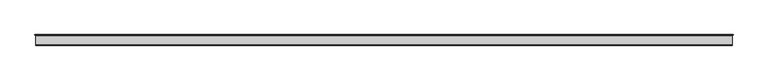
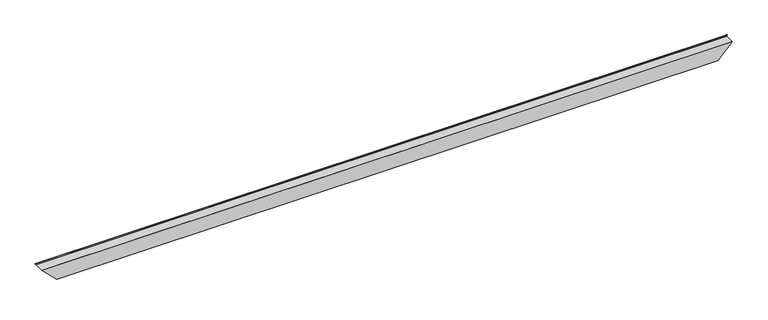
"""IFC4 building model written with IfcOpenShell, lengths in millimetres: proxy geometry."""

from ifc_helpers import new_model, si_unit, frame, origin, place, context, project, spatial, polyline, ellipse_curve, faceted_brep, source, transform, mapped, element, save
from ifc_brep_helpers import plane_surface, cylinder_surface, revolved_surface, advanced_brep


def specialty_equipment_6fd3f34a(model_context):
    return source(origin(), model_context, "Body", "SolidModel", [
        advanced_brep(
        [(7404.6991105, 84.2845729, 38.6991105), (7405.1343073, 83.3664989, 39.1343073), (-39.1343073, 83.3664989, 39.1343073), (-38.6991105, 84.2845729, 38.6991105), (7412.1314568, 86.6833746, 46.1314568), (-46.1314568, 86.6833746, 46.1314568), (7413.1962023, 84.8585816, 47.1962023), (-47.1962023, 84.8585816, 47.1962023), (7405.6706822, 77.3330614, 39.6706822), (-39.6706822, 77.3330614, 39.6706822), (7405.6706822, 0.508, 39.6706822), (-39.6706822, 0.508, 39.6706822), (7405.1626822, 0.0, 39.1626822), (-39.1626822, 0.0, 39.1626822), (7248.0062858, 0.0, -117.9937142), (117.9937142, 0.0, -117.9937142), (7248.0062858, 77.6452525, -117.9937142), (117.9937142, 77.6452525, -117.9937142), (7240.702363, 84.9491753, -125.297637), (125.297637, 84.9491753, -125.297637), (7242.4980144, 86.4483719, -123.5019856), (123.5019856, 86.4483719, -123.5019856), (7247.2287, 84.7304835, -118.7713), (118.7713, 84.7304835, -118.7713), (7247.57549, 85.6854666, -118.42451), (118.42451, 85.6854666, -118.42451), (7242.8674586, 87.3951284, -123.1325414), (123.1325414, 87.3951284, -123.1325414), (7239.8081526, 84.4065446, -126.1918474), (126.1918474, 84.4065446, -126.1918474), (7246.9902858, 77.2244115, -119.0097142), (119.0097142, 77.2244115, -119.0097142), (7246.9902858, -25.5276818, -119.0097142), (119.0097142, -25.5276818, -119.0097142), (7405.6706822, -25.5276818, 39.6706822), (-39.6706822, -25.5276818, 39.6706822), (7406.6866822, -24.5116818, 40.6866822), (-40.6866822, -24.5116818, 40.6866822), (7406.6866822, 76.9122205, 40.6866822), (-40.6866822, 76.9122205, 40.6866822), (7413.9893811, 84.2236616, 47.9893811), (-47.9893811, 84.2236616, 47.9893811), (7411.9689732, 87.6862978, 45.9689732), (-45.9689732, 87.6862978, 45.9689732)],
        [
            (0, 1),
            (1, 2),
            (2, 3),
            (3, 0),
            (1, 4),
            (4, 5),
            (5, 2),
            (4, 6, ellipse_curve(frame((7412.312487, 85.5659738, 46.312487), z_axis=(0.7071067811865482, 0.0, -0.7071067811865469), x_axis=(0.7071067811865467, 0.0, 0.7071067811865482)), 1.6008476, 1.1319702)),
            (6, 7),
            (7, 5, ellipse_curve(frame((-46.312487, 85.5659738, 46.312487), z_axis=(-0.7071067811865492, 0.0, -0.7071067811865458), x_axis=(0.7071067811865458, 0.0, -0.7071067811865492)), 1.6008476, 1.1319702)),
            (6, 8),
            (8, 9),
            (9, 7),
            (8, 10),
            (10, 11),
            (11, 9),
            (10, 12, ellipse_curve(frame((7405.1626822, 0.508, 39.1626822), z_axis=(0.7071067811865482, 0.0, -0.7071067811865469), x_axis=(0.7071067811865467, 0.0, 0.7071067811865482)), 0.7184205, 0.508)),
            (12, 13),
            (13, 11, ellipse_curve(frame((-39.1626822, 0.508, 39.1626822), z_axis=(-0.7071067811865492, 0.0, -0.7071067811865458), x_axis=(0.7071067811865458, 0.0, -0.7071067811865492)), 0.7184205, 0.508)),
            (12, 14),
            (14, 15),
            (15, 13),
            (14, 16),
            (16, 17),
            (17, 15),
            (16, 18),
            (18, 19),
            (19, 17),
            (18, 20, ellipse_curve(frame((7241.9823685, 85.2410207, -124.0176315), z_axis=(0.7071067811865482, 0.0, -0.7071067811865469), x_axis=(0.7071067811865467, 0.0, 0.7071067811865482)), 1.8566571, 1.3128548)),
            (20, 21),
            (21, 19, ellipse_curve(frame((124.0176315, 85.2410207, -124.0176315), z_axis=(-0.7071067811865492, 0.0, -0.7071067811865458), x_axis=(0.7071067811865458, 0.0, -0.7071067811865492)), 1.8566571, 1.3128548)),
            (20, 22),
            (22, 23),
            (23, 21),
            (22, 24),
            (24, 25),
            (25, 23),
            (24, 26),
            (26, 27),
            (27, 25),
            (26, 28, ellipse_curve(frame((7241.9823685, 85.2410207, -124.0176315), z_axis=(-0.7071067811865482, 0.0, 0.7071067811865469), x_axis=(-0.7071067811865467, 0.0, -0.7071067811865482)), 3.2934981, 2.3288548)),
            (28, 29),
            (29, 27, ellipse_curve(frame((124.0176315, 85.2410207, -124.0176315), z_axis=(0.7071067811865492, 0.0, 0.7071067811865458), x_axis=(-0.7071067811865458, 0.0, 0.7071067811865492)), 3.2934981, 2.3288548)),
            (28, 30),
            (30, 31),
            (31, 29),
            (30, 32),
            (32, 33),
            (33, 31),
            (32, 34),
            (34, 35),
            (35, 33),
            (34, 36, ellipse_curve(frame((7405.6706822, -24.5116818, 39.6706822), z_axis=(-0.7071067811865482, 0.0, 0.7071067811865469), x_axis=(-0.7071067811865467, 0.0, -0.7071067811865482)), 1.436841, 1.016)),
            (36, 37),
            (37, 35, ellipse_curve(frame((-39.6706822, -24.5116818, 39.6706822), z_axis=(0.7071067811865492, 0.0, 0.7071067811865458), x_axis=(-0.7071067811865458, 0.0, 0.7071067811865492)), 1.436841, 1.016)),
            (36, 38),
            (38, 39),
            (39, 37),
            (38, 40),
            (40, 41),
            (41, 39),
            (40, 42, ellipse_curve(frame((7412.312487, 85.5659738, 46.312487), z_axis=(-0.7071067811865482, 0.0, 0.7071067811865469), x_axis=(-0.7071067811865467, 0.0, -0.7071067811865482)), 3.0376885, 2.1479702)),
            (42, 43),
            (43, 41, ellipse_curve(frame((-46.312487, 85.5659738, 46.312487), z_axis=(0.7071067811865492, 0.0, 0.7071067811865458), x_axis=(-0.7071067811865458, 0.0, 0.7071067811865492)), 3.0376885, 2.1479702)),
            (42, 0),
            (3, 43),
        ],
        [
            plane_surface(frame((-48.5394, 84.2845729, 38.6991105), z_axis=(0.0, -0.4283433055538029, -0.9036160758791543), x_axis=(1.0, 0.0, 0.0))),
            plane_surface(frame((-48.5394, 83.3664989, 39.1343073), z_axis=(0.0, -0.9036160758791646, 0.4283433055537811), x_axis=(1.0, 0.0, 0.0))),
            revolved_surface(polyline([(7413.4444571936065, 86.69794399999999, 46.312487), (-47.444457193606205, 86.69794399999999, 46.312487)]), (-48.5394, 85.5659738, 46.312487), (1.0, 0.0, 0.0)),
            plane_surface(frame((-48.5394, 84.8585816, 47.1962023), z_axis=(0.0, 0.7071067811866342, -0.7071067811864609), x_axis=(1.0, 0.0, 0.0))),
            plane_surface(frame((-48.5394, 77.3330614, 39.6706822), z_axis=(0.0, 0.0, -1.0), x_axis=(1.0, 0.0, 0.0))),
            revolved_surface(polyline([(7405.670682207293, 1.016, 39.1626822), (-39.670682207293424, 1.016, 39.1626822)]), (-48.5394, 0.508, 39.1626822), (1.0, 0.0, 0.0)),
            plane_surface(frame((-48.5394, 0.0, 39.1626822), z_axis=(0.0, 1.0, 0.0), x_axis=(1.0, 0.0, 0.0))),
            plane_surface(frame((-48.5394, 0.0, -117.9937142), z_axis=(0.0, 0.0, 1.0), x_axis=(1.0, 0.0, 0.0))),
            plane_surface(frame((-48.5394, 77.6452525, -117.9937142), z_axis=(0.0, 0.7071067811871135, 0.7071067811859816), x_axis=(1.0, 0.0, 0.0))),
            revolved_surface(polyline([(7243.295223325748, 86.5538755, -124.0176315), (122.70477667425186, 86.5538755, -124.0176315)]), (-48.5394, 85.2410207, -124.0176315), (1.0, 0.0, 0.0)),
            plane_surface(frame((-48.5394, 86.4483719, -123.5019856), z_axis=(0.0, -0.9399439895929909, -0.34132872194998687), x_axis=(1.0, 0.0, 0.0))),
            plane_surface(frame((-48.5394, 84.7304835, -118.7713), z_axis=(0.0, -0.34132872194998415, 0.939943989592992), x_axis=(1.0, 0.0, 0.0))),
            plane_surface(frame((-48.5394, 85.6854666, -118.42451), z_axis=(0.0, 0.9399439895929912, 0.34132872194998604), x_axis=(1.0, 0.0, 0.0))),
            cylinder_surface(frame((-48.5394, 85.2410207, -124.0176315), z_axis=(-1.0, 0.0, 0.0), x_axis=(0.0, 1.0, 0.0)), 2.3288548),
            plane_surface(frame((-48.5394, 84.4065446, -126.1918474), z_axis=(0.0, -0.7071067811872073, -0.7071067811858879), x_axis=(1.0, 0.0, 0.0))),
            plane_surface(frame((-48.5394, 77.2244115, -119.0097142), z_axis=(0.0, 0.0, -1.0), x_axis=(1.0, 0.0, 0.0))),
            plane_surface(frame((-48.5394, -25.5276818, -119.0097142), z_axis=(0.0, -1.0, 0.0), x_axis=(1.0, 0.0, 0.0))),
            cylinder_surface(frame((-48.5394, -24.5116818, 39.6706822), z_axis=(-1.0, 0.0, 0.0), x_axis=(0.0, 1.0, 0.0)), 1.016),
            plane_surface(frame((-48.5394, -24.5116818, 40.6866822), z_axis=(0.0, 0.0, 1.0), x_axis=(1.0, 0.0, 0.0))),
            plane_surface(frame((-48.5394, 76.9122205, 40.6866822), z_axis=(0.0, -0.7066836626193927, 0.7075296467193727), x_axis=(1.0, 0.0, 0.0))),
            cylinder_surface(frame((-48.5394, 85.5659738, 46.312487), z_axis=(-1.0, 0.0, 0.0), x_axis=(0.0, 1.0, 0.0)), 2.1479702),
            plane_surface(frame((-48.5394, 87.6862978, 45.9689732), z_axis=(0.0, 0.905747119101355, -0.4238185416420523), x_axis=(1.0, 0.0, 0.0))),
            plane_surface(frame((7414.5394, -67.4899439, 48.5394), z_axis=(0.7071067811865482, 0.0, -0.7071067811865469), x_axis=(0.0, 1.0, 0.0))),
            plane_surface(frame((126.4137994, -67.4899439, -126.4137994), z_axis=(-0.7071067811865492, 0.0, -0.7071067811865458), x_axis=(0.0, 1.0, 0.0))),
        ],
        [
            (0, [[1, 2, 3, 4]]),
            (1, [[5, 6, 7, -2]]),
            (2, [[8, 9, 10, -6]]),
            (3, [[11, 12, 13, -9]]),
            (4, [[14, 15, 16, -12]]),
            (5, [[17, 18, 19, -15]]),
            (6, [[20, 21, 22, -18]]),
            (7, [[23, 24, 25, -21]]),
            (8, [[26, 27, 28, -24]]),
            (9, [[29, 30, 31, -27]]),
            (10, [[32, 33, 34, -30]]),
            (11, [[35, 36, 37, -33]]),
            (12, [[38, 39, 40, -36]]),
            (13, [[41, 42, 43, -39]]),
            (14, [[44, 45, 46, -42]]),
            (15, [[47, 48, 49, -45]]),
            (16, [[50, 51, 52, -48]]),
            (17, [[53, 54, 55, -51]]),
            (18, [[56, 57, 58, -54]]),
            (19, [[59, 60, 61, -57]]),
            (20, [[62, 63, 64, -60]]),
            (21, [[65, -4, 66, -63]]),
            (22, [[-1, -65, -62, -59, -56, -53, -50, -47, -44, -41, -38, -35, -32, -29, -26, -23, -20, -17, -14, -11, -8, -5]]),
            (23, [[-3, -7, -10, -13, -16, -19, -22, -25, -28, -31, -34, -37, -40, -43, -46, -49, -52, -55, -58, -61, -64, -66]]),
        ],
    ),
        faceted_brep([(7398.611715, 20.9756339, 32.611715), (7398.611715, 3.96875, 32.611715), (-32.611715, 3.96875, 32.611715), (-32.611715, 20.9756339, 32.611715), (7373.7597004, 3.96875, 7.7597004), (-7.7597004, 3.96875, 7.7597004), (7373.7597004, 40.03675, 7.7597004), (-7.7597004, 40.03675, 7.7597004), (7371.7277005, 40.03675, 5.7277005), (-5.7277005, 40.03675, 5.7277005), (7371.7277005, 1.9367501, 5.7277005), (-5.7277005, 1.9367501, 5.7277005), (7400.6202, 1.9367501, 34.6202), (-34.6202, 1.9367501, 34.6202), (7400.6202, 20.9756339, 34.6202), (-34.6202, 20.9756339, 34.6202)], [[[0, 1, 2, 3]], [[1, 4, 5, 2]], [[4, 6, 7, 5]], [[6, 8, 9, 7]], [[8, 10, 11, 9]], [[10, 12, 13, 11]], [[12, 14, 15, 13]], [[14, 0, 3, 15]], [[1, 0, 14, 12, 10, 8, 6, 4]], [[3, 2, 5, 7, 9, 11, 13, 15]]]),
    ])


if __name__ == "__main__":
    model = new_model("IFC4")
    model_context = context("Model", 3, world=origin())
    ifc_project = project(units=[si_unit("LENGTHUNIT", "METRE", prefix="MILLI")], contexts=[model_context])
    site = spatial("IfcSite", under=ifc_project)
    building = spatial("IfcBuilding", under=site)
    placement = place(None, origin())
    specialty_equipment_shape = specialty_equipment_6fd3f34a(model_context)
    element("IfcBuildingElementProxy", 1, Name="Specialty Equipment", at=placement, inside=building, context=model_context, shape_type="MappedRepresentation", body=[
        mapped(specialty_equipment_shape, transform((0.0, 0.0, 0.0), x_axis=(1.0, 0.0, 0.0), y_axis=(0.0, 1.0, 0.0), z_axis=(0.0, 0.0, 1.0))),
    ])
    save(model, "model.ifc")
